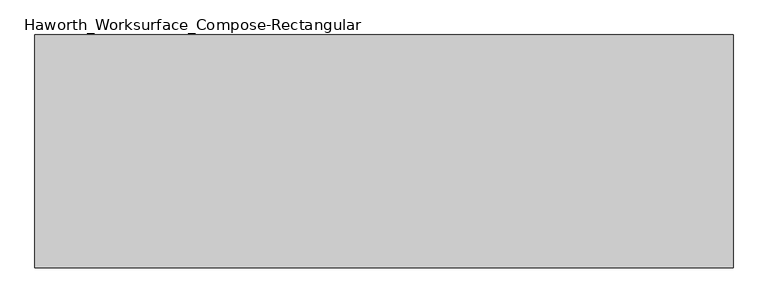
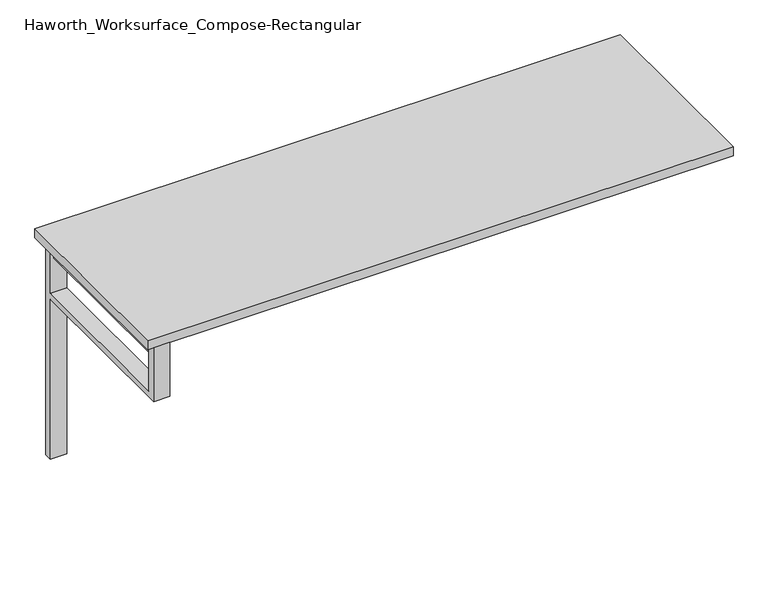
"""IFC4 building model written with IfcOpenShell, lengths in millimetres: furniture geometry, Haworth_Worksurface_Compose-Rectangular."""

from ifc_helpers import new_model, si_unit, frame, origin, place, context, project, spatial, polyline, outline, extrude, source, transform, mapped, element, save


def haworth_worksurface_compose_rectangular_97d2596e(model_context):
    return source(origin(), model_context, "Body", "SweptSolid", [
        extrude(outline(polyline([(-854.075, -279.4), (-885.825, -279.4), (-885.825, 254.0), (-854.075, 254.0), (-854.075, -279.4)])), frame((0.0, 0.0, 661.9875), z_axis=(0.0, 0.0, 1.0), x_axis=(1.0, 0.0, 0.0)), (0.0, 0.0, 1.0), 44.45),
        extrude(outline(polyline([(254.0, 528.6375), (-304.8, 528.6375), (-304.8, 706.4375), (-279.4, 706.4375), (-279.4, 547.6875), (254.0, 547.6875), (254.0, 706.4375), (279.4, 706.4375), (279.4, 0.0), (254.0, 0.0), (254.0, 528.6375)])), frame((-895.35, 0.0, 0.0), z_axis=(1.0, 0.0, 0.0), x_axis=(0.0, 1.0, 0.0)), (0.0, 0.0, 1.0), 50.8),
        extrude(outline(polyline([(914.4, -304.8), (-914.4, -304.8), (-914.4, 304.8), (914.4, 304.8), (914.4, -304.8)])), frame((0.0, 0.0, 706.4375), z_axis=(0.0, 0.0, 1.0), x_axis=(1.0, 0.0, 0.0)), (0.0, 0.0, 1.0), 30.1625),
    ])


if __name__ == "__main__":
    model = new_model("IFC4")
    model_context = context("Model", 3, world=origin())
    ifc_project = project(units=[si_unit("LENGTHUNIT", "METRE", prefix="MILLI")], contexts=[model_context])
    site = spatial("IfcSite", under=ifc_project)
    building = spatial("IfcBuilding", under=site)
    placement = place(None, origin())
    haworth_worksurface_compose_rectangular_shape = haworth_worksurface_compose_rectangular_97d2596e(model_context)
    element("IfcFurniture", 1, ObjectType="Haworth_Worksurface_Compose-Rectangular", at=placement, inside=building, context=model_context, shape_type="MappedRepresentation", body=[
        mapped(haworth_worksurface_compose_rectangular_shape, transform((0.0, 0.0, 0.0), x_axis=(1.0, 0.0, 0.0), y_axis=(0.0, 1.0, 0.0), z_axis=(0.0, 0.0, 1.0))),
    ])
    save(model, "model.ifc")
